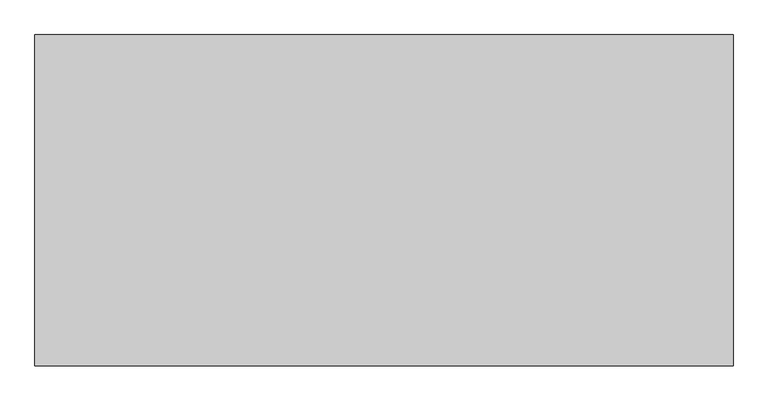
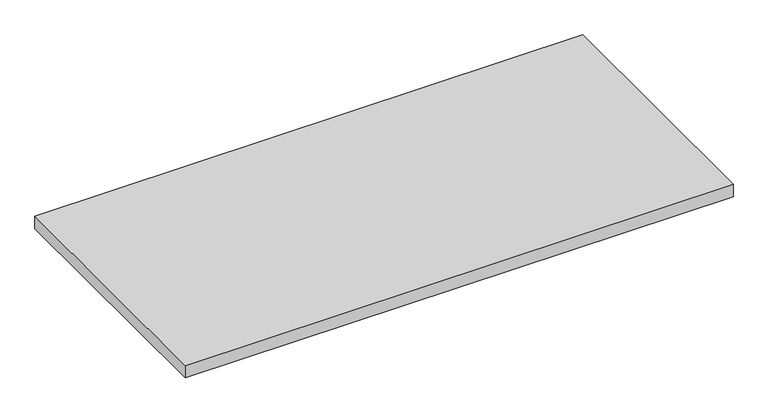
"""IFC4 building model written with IfcOpenShell, lengths in millimetres: furniture geometry."""

from ifc_helpers import new_model, si_unit, frame, origin, place, context, project, spatial, polyline, outline, extrude, source, transform, mapped, element, save


def furniture_5672f94d(model_context):
    return source(origin(), model_context, "Body", "SweptSolid", [
        extrude(outline(polyline([(1065.1998, -548.7539634), (1065.1998, -1053.7059634), (1.6002, -1053.7059634), (1.6002, -548.7539634), (1065.1998, -548.7539634)])), frame((0.0, 0.0, 563.0672), z_axis=(0.0, 0.0, 1.0), x_axis=(1.0, 0.0, 0.0)), (0.0, 0.0, 1.0), 25.4),
    ])


if __name__ == "__main__":
    model = new_model("IFC4")
    model_context = context("Model", 3, world=origin())
    ifc_project = project(units=[si_unit("LENGTHUNIT", "METRE", prefix="MILLI")], contexts=[model_context])
    site = spatial("IfcSite", under=ifc_project)
    building = spatial("IfcBuilding", under=site)
    placement = place(None, origin())
    furniture_shape = furniture_5672f94d(model_context)
    element("IfcFurniture", 1, at=placement, inside=building, context=model_context, shape_type="MappedRepresentation", body=[
        mapped(furniture_shape, transform((0.0, 0.0, 0.0), x_axis=(1.0, 0.0, 0.0), y_axis=(0.0, 1.0, 0.0), z_axis=(0.0, 0.0, 1.0))),
    ])
    save(model, "model.ifc")
